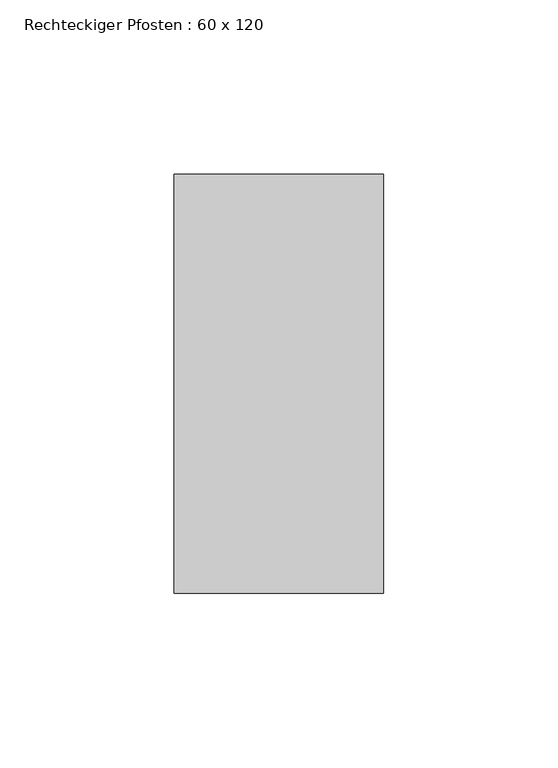
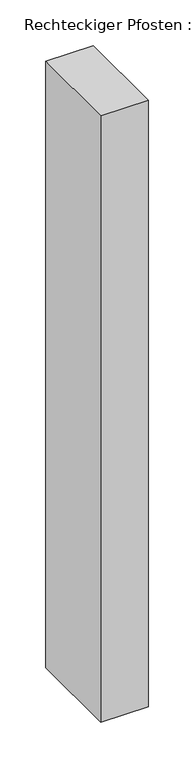
"""IFC4 building model written with IfcOpenShell, lengths in millimetres: member geometry, Rechteckiger Pfosten : 60 x 120."""

from ifc_helpers import new_model, si_unit, frame, origin, place, context, project, spatial, polyline, outline, extrude, source, transform, mapped, element, save


def rechteckiger_pfosten_60_x_120_53a3816e(model_context):
    return source(origin(), model_context, "Body", "SweptSolid", [
        extrude(outline(polyline([(30.0, 60.0), (30.0, -60.0), (-30.0, -60.0), (-30.0, 60.0), (30.0, 60.0)])), frame((0.0, 0.0, -810.0), z_axis=(0.0, 0.0, 1.0), x_axis=(1.0, 0.0, 0.0)), (0.0, 0.0, 1.0), 810.0),
    ])


if __name__ == "__main__":
    model = new_model("IFC4")
    model_context = context("Model", 3, world=origin())
    ifc_project = project(units=[si_unit("LENGTHUNIT", "METRE", prefix="MILLI")], contexts=[model_context])
    site = spatial("IfcSite", under=ifc_project)
    building = spatial("IfcBuilding", under=site)
    placement = place(None, origin())
    rechteckiger_pfosten_60_x_120_shape = rechteckiger_pfosten_60_x_120_53a3816e(model_context)
    element("IfcMember", 1, ObjectType="Rechteckiger Pfosten : 60 x 120", at=placement, inside=building, context=model_context, shape_type="MappedRepresentation", body=[
        mapped(rechteckiger_pfosten_60_x_120_shape, transform((0.0, 0.0, 0.0), x_axis=(1.0, 0.0, 0.0), y_axis=(0.0, 1.0, 0.0), z_axis=(0.0, 0.0, 1.0))),
    ])
    save(model, "model.ifc")
